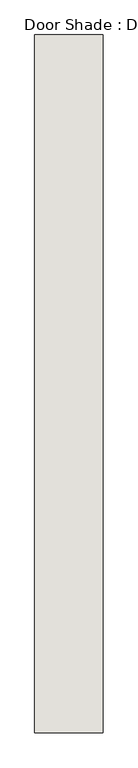
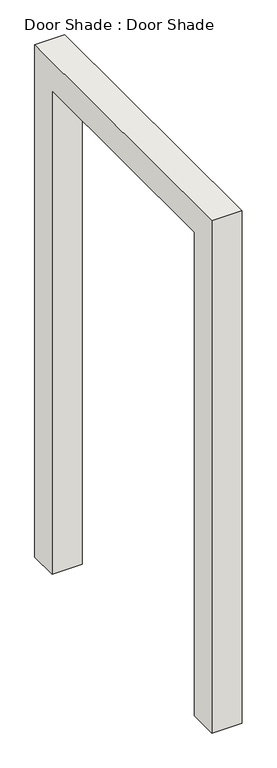
"""IFC4 building model written with IfcOpenShell, lengths in millimetres: wall geometry, Door Shade : Door Shade."""

from ifc_helpers import new_model, si_unit, frame, origin, place, context, project, spatial, polyline, outline, extrude, source, transform, mapped, element, save


def door_shade_door_shade_d48ca478(model_context):
    return source(origin(), model_context, "Body", "SweptSolid", [
        extrude(outline(polyline([(-10873.6114294, 2159.0), (-11915.0114294, 2159.0), (-11915.0114294, 0.0), (-12042.0114294, 0.0), (-12042.0114294, 2286.0), (-10746.6114294, 2286.0), (-10746.6114294, 0.0), (-10873.6114294, 0.0), (-10873.6114294, 2159.0)])), frame((14744.5409002, 0.0, 0.0), z_axis=(1.0, 0.0, 0.0), x_axis=(0.0, 1.0, 0.0)), (0.0, 0.0, 1.0), 127.0),
    ])


if __name__ == "__main__":
    model = new_model("IFC4")
    model_context = context("Model", 3, world=origin())
    ifc_project = project(units=[si_unit("LENGTHUNIT", "METRE", prefix="MILLI")], contexts=[model_context])
    site = spatial("IfcSite", under=ifc_project)
    building = spatial("IfcBuilding", under=site)
    placement = place(None, origin())
    door_shade_door_shade_shape = door_shade_door_shade_d48ca478(model_context)
    element("IfcWall", 1, ObjectType="Door Shade : Door Shade", at=placement, inside=building, context=model_context, shape_type="MappedRepresentation", body=[
        mapped(door_shade_door_shade_shape, transform((0.0, 0.0, 0.0), x_axis=(1.0, 0.0, 0.0), y_axis=(0.0, 1.0, 0.0), z_axis=(0.0, 0.0, 1.0))),
    ])
    save(model, "model.ifc")
